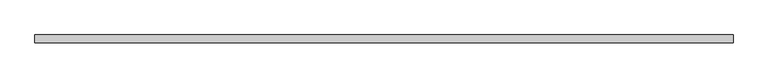
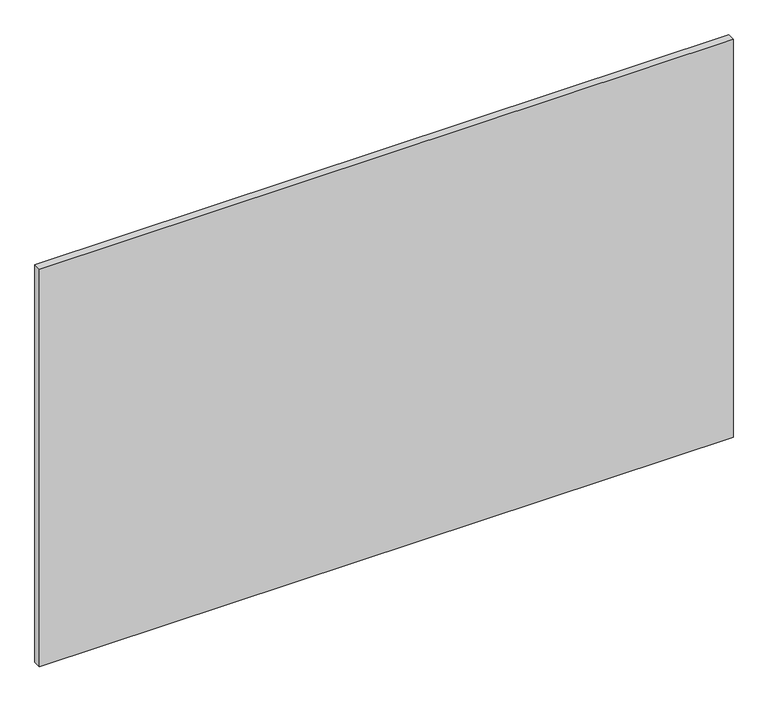
"""IFC4 building model written with IfcOpenShell, lengths in millimetres: furniture geometry."""

from ifc_helpers import new_model, si_unit, frame, origin, place, context, project, spatial, polyline, outline, extrude, source, transform, mapped, element, save


def furniture_06c78441(model_context):
    return source(origin(), model_context, "Body", "SweptSolid", [
        extrude(outline(polyline([(1676.4, 57.15), (1676.4, 38.1), (0.0, 38.1), (0.0, 57.15), (1676.4, 57.15)])), frame((0.0, 0.0, 1036.1701109), z_axis=(0.0, 0.0, 1.0), x_axis=(1.0, 0.0, 0.0)), (0.0, 0.0, 1.0), 1016.0),
    ])


if __name__ == "__main__":
    model = new_model("IFC4")
    model_context = context("Model", 3, world=origin())
    ifc_project = project(units=[si_unit("LENGTHUNIT", "METRE", prefix="MILLI")], contexts=[model_context])
    site = spatial("IfcSite", under=ifc_project)
    building = spatial("IfcBuilding", under=site)
    placement = place(None, origin())
    furniture_shape = furniture_06c78441(model_context)
    element("IfcFurniture", 1, at=placement, inside=building, context=model_context, shape_type="MappedRepresentation", body=[
        mapped(furniture_shape, transform((0.0, 0.0, 0.0), x_axis=(1.0, 0.0, 0.0), y_axis=(0.0, 1.0, 0.0), z_axis=(0.0, 0.0, 1.0))),
    ])
    save(model, "model.ifc")
